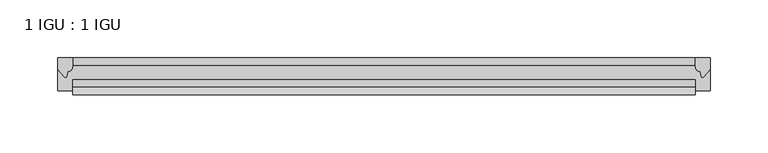
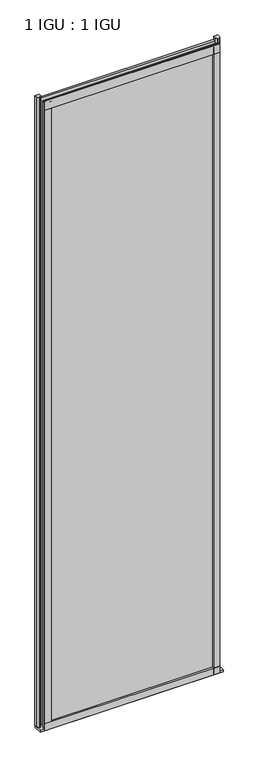
"""IFC4 building model written with IfcOpenShell, lengths in millimetres: plate geometry, 1 IGU : 1 IGU."""

from ifc_helpers import new_model, si_unit, point, frame, frame_2d, origin, place, context, project, spatial, polyline, circle_curve, trimmed, segment, composite_curve, outline, extrude, source, transform, mapped, element, save


def plate_1_igu_1_igu_fabcde90(model_context):
    return source(origin(), model_context, "Body", "SweptSolid", [
        extrude(outline(polyline([(269.3769599, 0.0021347), (269.3769599, -6.2992), (-269.3769599, -6.2992), (-269.3769599, 0.0021347), (269.3769599, 0.0021347)])), frame((0.0, 0.0, -19.05), z_axis=(0.0, 0.0, 1.0), x_axis=(1.0, 0.0, 0.0)), (0.0, 0.0, 1.0), 2041.5250001),
        extrude(outline(polyline([(-269.3769599, -19.0986653), (269.3769599, -19.0986653), (269.3769599, -25.3978653), (-269.3769599, -25.3978653), (-269.3769599, -19.0986653)])), frame((0.0, 0.0, -19.05), z_axis=(0.0, 0.0, 1.0), x_axis=(1.0, 0.0, 0.0)), (0.0, 0.0, 1.0), 2041.5250001),
        extrude(outline(composite_curve([segment(trimmed(circle_curve(frame_2d((10.9021792, -22.6833935)), 11.4916952), [point((0.0, -19.05))], [point((-0.2638007, -25.4))], True, "CARTESIAN"), True, "CONTINUOUS"), segment(polyline([(-0.2638007, -25.4), (-27.9952564, -25.4), (-27.9952564, -19.05), (0.0, -19.05)]), True, "CONTINUOUS")], self_intersect=False)), frame((-282.0769599, 0.0, 0.0), z_axis=(1.0, 0.0, 0.0), x_axis=(0.0, 1.0, 0.0)), (0.0, 0.0, 1.0), 564.1539197),
        extrude(outline(composite_curve([segment(polyline([(282.0769599, 0.0), (282.0769599, -9.7395025), (276.510729, -16.3730781)]), True, "CONTINUOUS"), segment(trimmed(circle_curve(frame_2d((275.557054, -15.7728374)), 1.1268473), [point((276.510729, -16.3730781))], [point((274.4561011, -16.0130197))], False, "CARTESIAN"), True, "CONTINUOUS"), segment(polyline([(274.4561011, -16.0130197), (273.4759096, -11.7377885)]), True, "CONTINUOUS"), segment(trimmed(circle_curve(frame_2d((273.3484578, -7.7683362)), 3.9714979), [point((273.4759096, -11.7377885))], [point((269.3771385, -7.8060014))], False, "CARTESIAN"), True, "CONTINUOUS"), segment(polyline([(269.3771385, -7.8060014), (269.3771385, 0.0), (282.0769599, 0.0)]), True, "CONTINUOUS")], self_intersect=False)), frame((0.0, 0.0, -19.05), z_axis=(0.0, 0.0, 1.0), x_axis=(1.0, 0.0, 0.0)), (0.0, 0.0, 1.0), 2051.8374001),
        extrude(outline(composite_curve([segment(polyline([(-269.3769599, 8.8e-06), (-269.3769599, -7.7683362)]), True, "CONTINUOUS"), segment(trimmed(circle_curve(frame_2d((-273.3484578, -7.7683362)), 3.9714979), [point((-269.3769599, -7.7683362))], [point((-273.4759096, -11.7377885))], False, "CARTESIAN"), True, "CONTINUOUS"), segment(polyline([(-273.4759096, -11.7377885), (-274.4559441, -16.012436)]), True, "CONTINUOUS"), segment(trimmed(circle_curve(frame_2d((-275.5571531, -15.7723555)), 1.1270758), [point((-274.4559441, -16.012436))], [point((-276.5109925, -16.372764))], False, "CARTESIAN"), True, "CONTINUOUS"), segment(polyline([(-276.5109925, -16.372764), (-282.0769599, -9.7395025), (-282.0769599, 8.8e-06), (-269.3769599, 8.8e-06)]), True, "CONTINUOUS")], self_intersect=False)), frame((0.0, 0.0, -19.05), z_axis=(0.0, 0.0, 1.0), x_axis=(1.0, 0.0, 0.0)), (0.0, 0.0, 1.0), 2051.8374001),
        extrude(outline(composite_curve([segment(polyline([(-31.75, 0.0), (-25.4, 0.0), (-25.4, -22.225)]), True, "CONTINUOUS"), segment(trimmed(circle_curve(frame_2d((-28.575, -28.9113452)), 7.4018806), [point((-25.4, -22.225))], [point((-31.75, -22.225))], True, "CARTESIAN"), True, "CONTINUOUS"), segment(polyline([(-31.75, -22.225), (-31.75, 0.0)]), True, "CONTINUOUS")], self_intersect=False)), frame((-269.3769599, 0.0, 0.0), z_axis=(1.0, 0.0, 0.0), x_axis=(0.0, 1.0, 0.0)), (0.0, 0.0, 1.0), 538.7539197),
        extrude(outline(composite_curve([segment(polyline([(-25.4, 2025.6500001), (-25.4, 2000.2500001), (-31.75, 2000.2500001), (-31.75, 2028.4228974)]), True, "CONTINUOUS"), segment(trimmed(circle_curve(frame_2d((-24.1401272, 2037.1924116)), 11.6109665), [point((-31.75, 2028.4228974))], [point((-25.4, 2025.6500001))], True, "CARTESIAN"), True, "CONTINUOUS")], self_intersect=False)), frame((-269.3769599, 0.0, 0.0), z_axis=(1.0, 0.0, 0.0), x_axis=(0.0, 1.0, 0.0)), (0.0, 0.0, 1.0), 538.7539197),
        extrude(outline(composite_curve([segment(polyline([(250.3269599, -25.4), (269.3769599, -25.4)]), True, "CONTINUOUS"), segment(trimmed(circle_curve(frame_2d((278.8431106, -28.575)), 9.9844196), [point((269.3769599, -25.4))], [point((269.3769599, -31.75))], True, "CARTESIAN"), True, "CONTINUOUS"), segment(polyline([(269.3769599, -31.75), (250.3269599, -31.75), (250.3269599, -25.4)]), True, "CONTINUOUS")], self_intersect=False)), frame((0.0, 0.0, -19.05), z_axis=(0.0, 0.0, 1.0), x_axis=(1.0, 0.0, 0.0)), (0.0, 0.0, 1.0), 2041.5250001),
        extrude(outline(composite_curve([segment(trimmed(circle_curve(frame_2d((-278.8431106, -28.575)), 9.9844196), [point((-269.3769599, -31.75))], [point((-269.3769599, -25.4))], True, "CARTESIAN"), True, "CONTINUOUS"), segment(polyline([(-269.3769599, -25.4), (-250.3269599, -25.4), (-250.3269599, -31.75), (-269.3769599, -31.75)]), True, "CONTINUOUS")], self_intersect=False)), frame((0.0, 0.0, -19.05), z_axis=(0.0, 0.0, 1.0), x_axis=(1.0, 0.0, 0.0)), (0.0, 0.0, 1.0), 2041.5250001),
    ])


if __name__ == "__main__":
    model = new_model("IFC4")
    model_context = context("Model", 3, world=origin())
    ifc_project = project(units=[si_unit("LENGTHUNIT", "METRE", prefix="MILLI")], contexts=[model_context])
    site = spatial("IfcSite", under=ifc_project)
    building = spatial("IfcBuilding", under=site)
    placement = place(None, origin())
    plate_1_igu_1_igu_shape = plate_1_igu_1_igu_fabcde90(model_context)
    element("IfcPlate", 1, ObjectType="1 IGU : 1 IGU", at=placement, inside=building, context=model_context, shape_type="MappedRepresentation", body=[
        mapped(plate_1_igu_1_igu_shape, transform((0.0, 0.0, 0.0), x_axis=(1.0, 0.0, 0.0), y_axis=(0.0, 1.0, 0.0), z_axis=(0.0, 0.0, 1.0))),
    ])
    save(model, "model.ifc")
